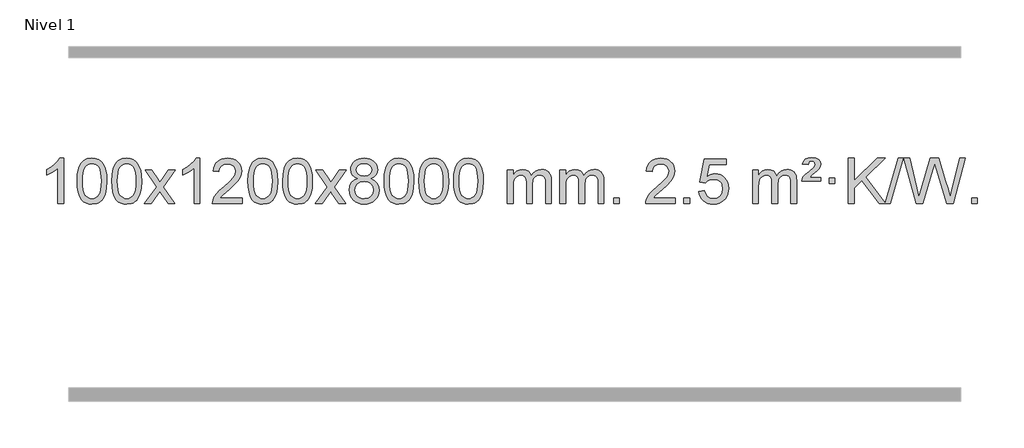
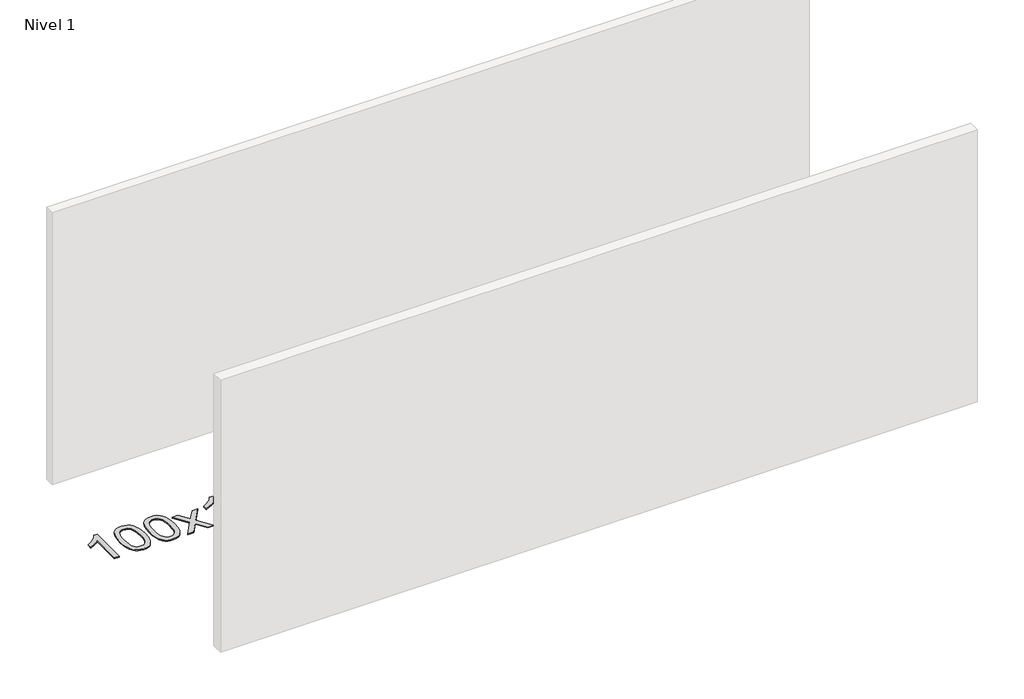
# One storey, part 6 of 7: 1 proxy.
"""IFC4 building model written with IfcOpenShell, lengths in millimetres."""

from ifc_helpers import new_model, si_unit, origin, origin_with_axes, place, context, project, spatial, polyline, outline, extrude, element, save

model = new_model("IFC4")

# Units and contexts
model_context = context("Model", 3, world=origin())
ifc_project = project(units=[si_unit("LENGTHUNIT", "METRE", prefix="MILLI")], contexts=[model_context])

# Site, building, storey
site = spatial("IfcSite", under=ifc_project)
building = spatial("IfcBuilding", under=site)
storey = spatial("IfcBuildingStorey", under=building, Name="Nivel 1", Elevation=0.0)

# Proxy
placement = place(None, origin())
element("IfcBuildingElementProxy", 1, Name="Texto de modelo 1", ObjectType="Texto de modelo 1", at=placement, inside=storey, context=model_context, shape_type="SweptSolid", body=[
    extrude(outline(polyline([(-275.4615788, -391.579453), (-325.6897338, -391.579453), (-325.6897338, -78.4382987), (-346.6590076, -95.3976587), (-373.2691385, -112.3324932), (-426.146044, -137.6918254), (-426.146044, -90.2105225), (-386.6968314, -68.7507395), (-352.520594, -43.219729), (-325.5793692, -16.0700378), (-307.8351943, 10.2457876), (-275.4615788, 10.2457876), (-275.4615788, -391.579453)])), origin_with_axes(), (0.0, 0.0, 1.0), 10.0),
    extrude(outline(polyline([(-156.1697105, -193.9041943), (-152.4786278, -129.5861588), (-141.4053797, -78.2911459), (-123.0603309, -39.2343407), (-111.2022679, -24.0009605), (-97.5538459, -11.6309284), (-82.0690796, -2.0598651), (-64.7019837, 4.7766086), (-24.3208034, 10.2457876), (6.6303351, 7.008426), (34.3441121, -2.7036586), (57.5206778, -18.5103217), (74.8601825, -40.0314184), (87.9567815, -67.0830078), (98.4046302, -99.4811488), (105.2472353, -140.6226186), (107.5281037, -193.9041943), (103.8738092, -257.8543477), (92.9109257, -309.0267333), (74.6762415, -348.1203266), (62.8457697, -363.3996922), (49.2065447, -375.8341036), (33.7033843, -385.4695462), (16.2811061, -392.3520052), (-24.3208034, -397.8579724), (-51.9855294, -395.4667394), (-76.5109958, -388.2930405), (-97.8972024, -376.3368757), (-116.1441494, -359.5982449), (-133.6553324, -329.3399508), (-146.1633202, -291.6381776), (-153.6681129, -246.4929255), (-156.1697105, -193.9041943)]), holes=[polyline([(-105.9415554, -193.8060924), (-104.4700274, -237.4706195), (-100.0554435, -272.8148822), (-92.6978036, -299.8388804), (-82.3971077, -318.5426142), (-69.9381708, -331.2682656), (-56.1058078, -340.3580165), (-40.9000186, -345.8118671), (-24.3208034, -347.6298173), (-7.7415881, -345.8057357), (7.464201, -340.3334911), (21.296564, -331.2130833), (33.7555009, -318.4445124), (44.0561968, -299.7101217), (51.4138367, -272.6922549), (55.8284206, -237.3909118), (57.2999486, -193.8060924), (55.8774716, -151.2973278), (51.6100404, -116.5753989), (44.4976552, -89.6403055), (34.5403158, -70.4920476), (22.2898454, -57.1440625), (8.2980668, -47.6097875), (-7.4350198, -41.8892225), (-24.9094146, -39.9823675), (-41.4027907, -41.6623619), (-56.3510624, -46.7023452), (-69.7542298, -55.1023175), (-81.6122928, -66.8622786), (-92.2563452, -87.708925), (-99.8592397, -115.8151094), (-104.4209765, -151.1808319), (-105.9415554, -193.8060924)])]), origin_with_axes(), (0.0, 0.0, 1.0), 10.0),
    extrude(outline(polyline([(151.4777394, -193.9041943), (155.1688221, -129.5861588), (166.2420701, -78.2911459), (184.5871189, -39.2343407), (196.4451819, -24.0009605), (210.0936039, -11.6309284), (225.5783702, -2.0598651), (242.9454661, 4.7766086), (283.3266464, 10.2457876), (314.277785, 7.008426), (341.9915619, -2.7036586), (365.1681276, -18.5103217), (382.5076323, -40.0314184), (395.6042314, -67.0830078), (406.05208, -99.4811488), (412.8946851, -140.6226186), (415.1755535, -193.9041943), (411.521259, -257.8543477), (400.5583756, -309.0267333), (382.3236913, -348.1203266), (370.4932195, -363.3996922), (356.8539945, -375.8341036), (341.3508341, -385.4695462), (323.928556, -392.3520052), (283.3266464, -397.8579724), (255.6619204, -395.4667394), (231.1364541, -388.2930405), (209.7502474, -376.3368757), (191.5033004, -359.5982449), (173.9921175, -329.3399508), (161.4841296, -291.6381776), (153.9793369, -246.4929255), (151.4777394, -193.9041943)]), holes=[polyline([(201.7058944, -193.8060924), (203.1774224, -237.4706195), (207.5920064, -272.8148822), (214.9496463, -299.8388804), (225.2503421, -318.5426142), (237.709279, -331.2682656), (251.5416421, -340.3580165), (266.7474312, -345.8118671), (283.3266464, -347.6298173), (299.9058617, -345.8057357), (315.1116508, -340.3334911), (328.9440138, -331.2130833), (341.4029507, -318.4445124), (351.7036466, -299.7101217), (359.0612865, -272.6922549), (363.4758705, -237.3909118), (364.9473984, -193.8060924), (363.5249214, -151.2973278), (359.2574902, -116.5753989), (352.145105, -89.6403055), (342.1877657, -70.4920476), (329.9372952, -57.1440625), (315.9455167, -47.6097875), (300.21243, -41.8892225), (282.7380352, -39.9823675), (266.2446591, -41.6623619), (251.2963874, -46.7023452), (237.89322, -55.1023175), (226.0351571, -66.8622786), (215.3911047, -87.708925), (207.7882101, -115.8151094), (203.2264734, -151.1808319), (201.7058944, -193.8060924)])]), origin_with_axes(), (0.0, 0.0, 1.0), 10.0),
    extrude(outline(polyline([(440.2896311, -391.579453), (547.6130718, -243.2494325), (446.5681504, -96.4890419), (506.9988995, -96.4890419), (555.7555266, -167.122385), (578.5151594, -200.4770192), (598.2336343, -173.2047007), (653.7592901, -96.4890419), (714.1900392, -96.4890419), (608.0438209, -243.2494325), (710.2659646, -391.579453), (649.8352155, -391.579453), (588.3253459, -302.4048574), (577.0436314, -286.1199477), (500.7203801, -391.579453), (440.2896311, -391.579453)])), origin_with_axes(), (0.0, 0.0, 1.0), 10.0),
    extrude(outline(polyline([(930.014143, -391.579453), (879.785988, -391.579453), (879.785988, -78.4382987), (858.8167142, -95.3976587), (832.2065832, -112.3324932), (779.3296778, -137.6918254), (779.3296778, -90.2105225), (818.7788904, -68.7507395), (852.9551278, -43.219729), (879.8963526, -16.0700378), (897.6405275, 10.2457876), (930.014143, 10.2457876), (930.014143, -391.579453)])), origin_with_axes(), (0.0, 0.0, 1.0), 10.0),
    extrude(outline(polyline([(1306.7253061, -341.3512979), (1306.7253061, -391.579453), (1043.0274919, -391.579453), (1044.1311379, -373.8965918), (1048.4230945, -356.9494945), (1060.808455, -329.8856424), (1078.9327747, -303.6311307), (1105.1504982, -276.1503456), (1141.8160704, -245.4076736), (1196.017351, -197.2641831), (1228.5381194, -161.7267824), (1244.7985036, -132.884834), (1250.2186316, -104.8277005), (1245.1050719, -79.6768347), (1229.7643927, -58.7688747), (1206.1831568, -44.6789943), (1176.347927, -39.9823675), (1145.0166437, -44.5686297), (1120.6751184, -58.3274163), (1104.9665572, -80.1796068), (1099.5341664, -109.0460807), (1049.3060113, -102.7675613), (1053.6255591, -76.838012), (1061.4829054, -54.1826125), (1072.8780502, -34.8013627), (1087.8109935, -18.6942627), (1105.9383788, -6.0329907), (1126.9168496, 3.010775), (1150.7464058, 8.4370345), (1177.4270475, 10.2457876), (1204.3468125, 8.2346994), (1228.3051275, 2.2014346), (1249.3019923, -7.8540066), (1267.3374071, -21.9316242), (1281.8227607, -38.9890861), (1292.1694418, -57.9840598), (1298.3774505, -78.9165453), (1300.4467867, -101.7865427), (1298.2149693, -125.8092369), (1291.519517, -149.4149983), (1279.6369285, -173.4254299), (1261.8437027, -198.6621347), (1233.4800009, -228.7916701), (1189.8859844, -267.4805933), (1132.1039857, -315.795762), (1109.4424548, -341.3512979), (1306.7253061, -341.3512979)])), origin_with_axes(), (0.0, 0.0, 1.0), 10.0),
    extrude(outline(polyline([(1356.9534612, -193.9041943), (1360.6445439, -129.5861588), (1371.7177919, -78.2911459), (1390.0628407, -39.2343407), (1401.9209037, -24.0009605), (1415.5693257, -11.6309284), (1431.054092, -2.0598651), (1448.4211879, 4.7766086), (1488.8023682, 10.2457876), (1519.7535068, 7.008426), (1547.4672837, -2.7036586), (1570.6438494, -18.5103217), (1587.9833541, -40.0314184), (1601.0799532, -67.0830078), (1611.5278018, -99.4811488), (1618.3704069, -140.6226186), (1620.6512753, -193.9041943), (1616.9969808, -257.8543477), (1606.0340974, -309.0267333), (1587.7994131, -348.1203266), (1575.9689413, -363.3996922), (1562.3297163, -375.8341036), (1546.8265559, -385.4695462), (1529.4042778, -392.3520052), (1488.8023682, -397.8579724), (1461.1376422, -395.4667394), (1436.6121759, -388.2930405), (1415.2259692, -376.3368757), (1396.9790222, -359.5982449), (1379.4678393, -329.3399508), (1366.9598514, -291.6381776), (1359.4550587, -246.4929255), (1356.9534612, -193.9041943)]), holes=[polyline([(1407.1816162, -193.8060924), (1408.6531442, -237.4706195), (1413.0677282, -272.8148822), (1420.4253681, -299.8388804), (1430.7260639, -318.5426142), (1443.1850008, -331.2682656), (1457.0173639, -340.3580165), (1472.223153, -345.8118671), (1488.8023682, -347.6298173), (1505.3815835, -345.8057357), (1520.5873726, -340.3334911), (1534.4197356, -331.2130833), (1546.8786725, -318.4445124), (1557.1793684, -299.7101217), (1564.5370083, -272.6922549), (1568.9515923, -237.3909118), (1570.4231202, -193.8060924), (1569.0006432, -151.2973278), (1564.733212, -116.5753989), (1557.6208268, -89.6403055), (1547.6634875, -70.4920476), (1535.413017, -57.1440625), (1521.4212385, -47.6097875), (1505.6881518, -41.8892225), (1488.213757, -39.9823675), (1471.7203809, -41.6623619), (1456.7721092, -46.7023452), (1443.3689418, -55.1023175), (1431.5108789, -66.8622786), (1420.8668265, -87.708925), (1413.2639319, -115.8151094), (1408.7021952, -151.1808319), (1407.1816162, -193.8060924)])]), origin_with_axes(), (0.0, 0.0, 1.0), 10.0),
    extrude(outline(polyline([(1664.600911, -193.9041943), (1668.2919937, -129.5861588), (1679.3652417, -78.2911459), (1697.7102906, -39.2343407), (1709.5683535, -24.0009605), (1723.2167756, -11.6309284), (1738.7015419, -2.0598651), (1756.0686377, 4.7766086), (1796.4498181, 10.2457876), (1827.4009566, 7.008426), (1855.1147336, -2.7036586), (1878.2912993, -18.5103217), (1895.630804, -40.0314184), (1908.727403, -67.0830078), (1919.1752517, -99.4811488), (1926.0178568, -140.6226186), (1928.2987251, -193.9041943), (1924.6444307, -257.8543477), (1913.6815472, -309.0267333), (1895.446863, -348.1203266), (1883.6163911, -363.3996922), (1869.9771662, -375.8341036), (1854.4740058, -385.4695462), (1837.0517276, -392.3520052), (1796.4498181, -397.8579724), (1768.785092, -395.4667394), (1744.2596257, -388.2930405), (1722.873419, -376.3368757), (1704.6264721, -359.5982449), (1687.1152891, -329.3399508), (1674.6073013, -291.6381776), (1667.1025086, -246.4929255), (1664.600911, -193.9041943)]), holes=[polyline([(1714.8290661, -193.8060924), (1716.3005941, -237.4706195), (1720.715178, -272.8148822), (1728.0728179, -299.8388804), (1738.3735138, -318.5426142), (1750.8324507, -331.2682656), (1764.6648137, -340.3580165), (1779.8706028, -345.8118671), (1796.4498181, -347.6298173), (1813.0290333, -345.8057357), (1828.2348225, -340.3334911), (1842.0671855, -331.2130833), (1854.5261224, -318.4445124), (1864.8268182, -299.7101217), (1872.1844581, -272.6922549), (1876.5990421, -237.3909118), (1878.0705701, -193.8060924), (1876.648093, -151.2973278), (1872.3806619, -116.5753989), (1865.2682766, -89.6403055), (1855.3109373, -70.4920476), (1843.0604669, -57.1440625), (1829.0686883, -47.6097875), (1813.3356016, -41.8892225), (1795.8612069, -39.9823675), (1779.3678308, -41.6623619), (1764.419559, -46.7023452), (1751.0163917, -55.1023175), (1739.1583287, -66.8622786), (1728.5142763, -87.708925), (1720.9113817, -115.8151094), (1716.349645, -151.1808319), (1714.8290661, -193.8060924)])]), origin_with_axes(), (0.0, 0.0, 1.0), 10.0),
    extrude(outline(polyline([(1953.4128027, -391.579453), (2060.7362434, -243.2494325), (1959.6913221, -96.4890419), (2020.1220711, -96.4890419), (2068.8786982, -167.122385), (2091.638331, -200.4770192), (2111.3568059, -173.2047007), (2166.8824617, -96.4890419), (2227.3132108, -96.4890419), (2121.1669925, -243.2494325), (2223.3891362, -391.579453), (2162.9583871, -391.579453), (2101.4485175, -302.4048574), (2090.166803, -286.1199477), (2013.8435518, -391.579453), (1953.4128027, -391.579453)])), origin_with_axes(), (0.0, 0.0, 1.0), 10.0),
    extrude(outline(polyline([(2327.9657247, -170.2616447), (2301.0735509, -157.0178929), (2282.2012045, -139.0652515), (2271.05438, -116.7716026), (2267.3387719, -90.5048281), (2269.3621229, -70.0199324), (2275.4321758, -51.2395565), (2285.5489307, -34.1637006), (2299.7123875, -18.7923645), (2317.2419645, -6.088173), (2337.4570802, 2.9862496), (2360.3577344, 8.4309031), (2385.9439271, 10.2457876), (2411.6527472, 8.3879835), (2434.7250797, 2.8145713), (2455.1609245, -6.4744491), (2472.9602817, -19.4790776), (2487.3812559, -35.1508506), (2497.6819518, -52.4413044), (2503.8623693, -71.3504389), (2505.9225085, -91.8782543), (2502.2559513, -117.2989001), (2491.2562796, -139.2124043), (2472.8008662, -157.0546811), (2446.7670837, -170.2616447), (2477.681434, -186.1909351), (2500.1835494, -209.6495436), (2513.9055478, -239.5092989), (2518.4795473, -274.6420295), (2516.2109416, -299.6947933), (2509.4051247, -322.6628926), (2498.0620965, -343.5463272), (2482.1818571, -362.3450971), (2462.5982722, -377.88198), (2440.1452078, -388.9797536), (2414.8226638, -395.6384177), (2386.6306402, -397.8579724), (2358.4386166, -395.6292206), (2333.1160726, -388.9429654), (2310.6630082, -377.7992066), (2291.0794233, -362.1979443), (2275.1991839, -343.26735), (2263.8561557, -322.135595), (2257.0503388, -298.8026795), (2254.7817331, -273.2686033), (2259.5396736, -236.7747094), (2273.813495, -206.7555386), (2296.8674334, -184.2411605), (2327.9657247, -170.2616447)]), holes=[polyline([(2317.566927, -91.9763561), (2322.0182991, -113.902123), (2335.3724155, -131.413306), (2357.2368688, -142.8912243), (2387.2192514, -146.717197), (2416.5026582, -142.9157497), (2438.0360177, -131.5114079), (2451.2797695, -114.5888361), (2455.6943534, -94.232699), (2451.1326167, -73.1040098), (2437.4474065, -55.629615), (2415.6197414, -43.8941794), (2386.6306402, -39.9823675), (2357.457598, -43.8083402), (2335.6667211, -55.2862585), (2322.0918755, -72.1107284), (2317.566927, -91.9763561)]), polyline([(2305.0098882, -271.5027698), (2307.1068156, -290.7184726), (2313.3975977, -309.3210389), (2325.010406, -325.5446349), (2343.073412, -337.623427), (2364.7048733, -345.1282197), (2387.0230477, -347.6298173), (2421.2115477, -342.3691048), (2435.1052244, -335.7932141), (2446.8651855, -326.5869672), (2462.9048405, -302.6869002), (2468.2513922, -273.0723996), (2462.7331623, -242.9551269), (2446.1784725, -218.5277625), (2434.0996803, -209.0854579), (2419.9362235, -202.3409547), (2385.3553159, -196.9453521), (2351.6450625, -202.2673783), (2337.9077356, -208.919911), (2326.2489421, -218.2334569), (2310.3196517, -242.1948375), (2305.0098882, -271.5027698)])]), origin_with_axes(), (0.0, 0.0, 1.0), 10.0),
    extrude(outline(polyline([(2562.429183, -193.9041943), (2566.1202656, -129.5861588), (2577.1935137, -78.2911459), (2595.5385625, -39.2343407), (2607.3966255, -24.0009605), (2621.0450475, -11.6309284), (2636.5298138, -2.0598651), (2653.8969097, 4.7766086), (2694.27809, 10.2457876), (2725.2292286, 7.008426), (2752.9430055, -2.7036586), (2776.1195712, -18.5103217), (2793.4590759, -40.0314184), (2806.555675, -67.0830078), (2817.0035236, -99.4811488), (2823.8461287, -140.6226186), (2826.1269971, -193.9041943), (2822.4727026, -257.8543477), (2811.5098192, -309.0267333), (2793.2751349, -348.1203266), (2781.4446631, -363.3996922), (2767.8054381, -375.8341036), (2752.3022777, -385.4695462), (2734.8799996, -392.3520052), (2694.27809, -397.8579724), (2666.613364, -395.4667394), (2642.0878976, -388.2930405), (2620.701691, -376.3368757), (2602.454744, -359.5982449), (2584.9435611, -329.3399508), (2572.4355732, -291.6381776), (2564.9307805, -246.4929255), (2562.429183, -193.9041943)]), holes=[polyline([(2612.657338, -193.8060924), (2614.128866, -237.4706195), (2618.54345, -272.8148822), (2625.9010899, -299.8388804), (2636.2017857, -318.5426142), (2648.6607226, -331.2682656), (2662.4930856, -340.3580165), (2677.6988748, -345.8118671), (2694.27809, -347.6298173), (2710.8573053, -345.8057357), (2726.0630944, -340.3334911), (2739.8954574, -331.2130833), (2752.3543943, -318.4445124), (2762.6550902, -299.7101217), (2770.0127301, -272.6922549), (2774.427314, -237.3909118), (2775.898842, -193.8060924), (2774.476365, -151.2973278), (2770.2089338, -116.5753989), (2763.0965486, -89.6403055), (2753.1392093, -70.4920476), (2740.8887388, -57.1440625), (2726.8969603, -47.6097875), (2711.1638736, -41.8892225), (2693.6894788, -39.9823675), (2677.1961027, -41.6623619), (2662.247831, -46.7023452), (2648.8446636, -55.1023175), (2636.9866007, -66.8622786), (2626.3425483, -87.708925), (2618.7396537, -115.8151094), (2614.1779169, -151.1808319), (2612.657338, -193.8060924)])]), origin_with_axes(), (0.0, 0.0, 1.0), 10.0),
    extrude(outline(polyline([(2870.0766328, -193.9041943), (2873.7677155, -129.5861588), (2884.8409635, -78.2911459), (2903.1860124, -39.2343407), (2915.0440753, -24.0009605), (2928.6924974, -11.6309284), (2944.1772637, -2.0598651), (2961.5443595, 4.7766086), (3001.9255399, 10.2457876), (3032.8766784, 7.008426), (3060.5904554, -2.7036586), (3083.7670211, -18.5103217), (3101.1065258, -40.0314184), (3114.2031248, -67.0830078), (3124.6509735, -99.4811488), (3131.4935786, -140.6226186), (3133.7744469, -193.9041943), (3130.1201525, -257.8543477), (3119.157269, -309.0267333), (3100.9225848, -348.1203266), (3089.0921129, -363.3996922), (3075.452888, -375.8341036), (3059.9497276, -385.4695462), (3042.5274494, -392.3520052), (3001.9255399, -397.8579724), (2974.2608138, -395.4667394), (2949.7353475, -388.2930405), (2928.3491408, -376.3368757), (2910.1021939, -359.5982449), (2892.5910109, -329.3399508), (2880.0830231, -291.6381776), (2872.5782304, -246.4929255), (2870.0766328, -193.9041943)]), holes=[polyline([(2920.3047879, -193.8060924), (2921.7763158, -237.4706195), (2926.1908998, -272.8148822), (2933.5485397, -299.8388804), (2943.8492356, -318.5426142), (2956.3081725, -331.2682656), (2970.1405355, -340.3580165), (2985.3463246, -345.8118671), (3001.9255399, -347.6298173), (3018.5047551, -345.8057357), (3033.7105442, -340.3334911), (3047.5429073, -331.2130833), (3060.0018442, -318.4445124), (3070.30254, -299.7101217), (3077.6601799, -272.6922549), (3082.0747639, -237.3909118), (3083.5462919, -193.8060924), (3082.1238148, -151.2973278), (3077.8563837, -116.5753989), (3070.7439984, -89.6403055), (3060.7866591, -70.4920476), (3048.5361887, -57.1440625), (3034.5444101, -47.6097875), (3018.8113234, -41.8892225), (3001.3369287, -39.9823675), (2984.8435526, -41.6623619), (2969.8952808, -46.7023452), (2956.4921135, -55.1023175), (2944.6340505, -66.8622786), (2933.9899981, -87.708925), (2926.3871035, -115.8151094), (2921.8253668, -151.1808319), (2920.3047879, -193.8060924)])]), origin_with_axes(), (0.0, 0.0, 1.0), 10.0),
    extrude(outline(polyline([(3177.7240826, -193.9041943), (3181.4151653, -129.5861588), (3192.4884134, -78.2911459), (3210.8334622, -39.2343407), (3222.6915252, -24.0009605), (3236.3399472, -11.6309284), (3251.8247135, -2.0598651), (3269.1918094, 4.7766086), (3309.5729897, 10.2457876), (3340.5241282, 7.008426), (3368.2379052, -2.7036586), (3391.4144709, -18.5103217), (3408.7539756, -40.0314184), (3421.8505746, -67.0830078), (3432.2984233, -99.4811488), (3439.1410284, -140.6226186), (3441.4218968, -193.9041943), (3437.7676023, -257.8543477), (3426.8047188, -309.0267333), (3408.5700346, -348.1203266), (3396.7395628, -363.3996922), (3383.1003378, -375.8341036), (3367.5971774, -385.4695462), (3350.1748992, -392.3520052), (3309.5729897, -397.8579724), (3281.9082637, -395.4667394), (3257.3827973, -388.2930405), (3235.9965907, -376.3368757), (3217.7496437, -359.5982449), (3200.2384607, -329.3399508), (3187.7304729, -291.6381776), (3180.2256802, -246.4929255), (3177.7240826, -193.9041943)]), holes=[polyline([(3227.9522377, -193.8060924), (3229.4237657, -237.4706195), (3233.8383496, -272.8148822), (3241.1959895, -299.8388804), (3251.4966854, -318.5426142), (3263.9556223, -331.2682656), (3277.7879853, -340.3580165), (3292.9937744, -345.8118671), (3309.5729897, -347.6298173), (3326.1522049, -345.8057357), (3341.3579941, -340.3334911), (3355.1903571, -331.2130833), (3367.649294, -318.4445124), (3377.9499899, -299.7101217), (3385.3076298, -272.6922549), (3389.7222137, -237.3909118), (3391.1937417, -193.8060924), (3389.7712646, -151.2973278), (3385.5038335, -116.5753989), (3378.3914483, -89.6403055), (3368.4341089, -70.4920476), (3356.1836385, -57.1440625), (3342.1918599, -47.6097875), (3326.4587733, -41.8892225), (3308.9843785, -39.9823675), (3292.4910024, -41.6623619), (3277.5427307, -46.7023452), (3264.1395633, -55.1023175), (3252.2815003, -66.8622786), (3241.6374479, -87.708925), (3234.0345534, -115.8151094), (3229.4728166, -151.1808319), (3227.9522377, -193.8060924)])]), origin_with_axes(), (0.0, 0.0, 1.0), 10.0),
    extrude(outline(polyline([(3654.8915558, -391.579453), (3654.8915558, -96.4890419), (3705.1197109, -96.4890419), (3705.1197109, -145.0494653), (3720.2273982, -122.7435537), (3739.6515675, -105.2691589), (3762.7300314, -93.9751816), (3788.8006021, -90.2105225), (3816.7351082, -94.048758), (3839.126859, -105.5634645), (3855.8532271, -123.9943524), (3866.7915851, -148.5811324), (3885.0998457, -123.0439906), (3905.9832803, -104.803175), (3929.4418888, -93.8586857), (3955.4756714, -90.2105225), (3975.5834881, -91.7280358), (3993.2326268, -96.2805755), (4008.4230875, -103.8681416), (4021.1548702, -114.4907342), (4031.2195085, -128.2709806), (4038.4085358, -145.3315082), (4042.7219522, -165.6723168), (4044.1597577, -189.2934066), (4044.1597577, -391.579453), (3993.9316026, -391.579453), (3993.9316026, -210.875817), (3992.7666429, -185.8230531), (3989.271764, -168.9372695), (3982.7234645, -157.3735121), (3972.3982431, -148.2868268), (3959.1177031, -142.4007149), (3943.7034475, -140.4386776), (3916.4924426, -145.4663982), (3894.3091583, -160.54956), (3885.7037853, -172.1194488), (3879.5570903, -186.7182326), (3874.6397343, -225.0024856), (3874.6397343, -391.579453), (3824.4115792, -391.579453), (3824.4115792, -205.2840106), (3821.5053115, -176.8835206), (3812.7865082, -156.6254854), (3797.445829, -144.4853796), (3774.6739335, -140.4386776), (3755.3233405, -143.1364789), (3737.4933265, -151.2298828), (3722.7780467, -164.5226856), (3712.7716564, -182.8186835), (3707.0326973, -208.2025411), (3705.1197109, -242.7589232), (3705.1197109, -391.579453), (3654.8915558, -391.579453)])), origin_with_axes(), (0.0, 0.0, 1.0), 10.0),
    extrude(outline(polyline([(4119.5019903, -391.579453), (4119.5019903, -96.4890419), (4169.7301454, -96.4890419), (4169.7301454, -145.0494653), (4184.8378326, -122.7435537), (4204.262002, -105.2691589), (4227.3404658, -93.9751816), (4253.4110365, -90.2105225), (4281.3455427, -94.048758), (4303.7372935, -105.5634645), (4320.4636615, -123.9943524), (4331.4020195, -148.5811324), (4349.7102801, -123.0439906), (4370.5937147, -104.803175), (4394.0523233, -93.8586857), (4420.0861058, -90.2105225), (4440.1939225, -91.7280358), (4457.8430612, -96.2805755), (4473.033522, -103.8681416), (4485.7653047, -114.4907342), (4495.8299429, -128.2709806), (4503.0189703, -145.3315082), (4507.3323866, -165.6723168), (4508.7701921, -189.2934066), (4508.7701921, -391.579453), (4458.542037, -391.579453), (4458.542037, -210.875817), (4457.3770774, -185.8230531), (4453.8821984, -168.9372695), (4447.3338989, -157.3735121), (4437.0086776, -148.2868268), (4423.7281376, -142.4007149), (4408.313882, -140.4386776), (4381.1028771, -145.4663982), (4358.9195927, -160.54956), (4350.3142197, -172.1194488), (4344.1675247, -186.7182326), (4339.2501687, -225.0024856), (4339.2501687, -391.579453), (4289.0220137, -391.579453), (4289.0220137, -205.2840106), (4286.1157459, -176.8835206), (4277.3969426, -156.6254854), (4262.0562634, -144.4853796), (4239.2843679, -140.4386776), (4219.933775, -143.1364789), (4202.1037609, -151.2298828), (4187.3884811, -164.5226856), (4177.3820909, -182.8186835), (4171.6431317, -208.2025411), (4169.7301454, -242.7589232), (4169.7301454, -391.579453), (4119.5019903, -391.579453)])), origin_with_axes(), (0.0, 0.0, 1.0), 10.0),
    extrude(outline(polyline([(4596.6694635, -391.579453), (4596.6694635, -341.3512979), (4646.8976186, -341.3512979), (4646.8976186, -391.579453), (4596.6694635, -391.579453)])), origin_with_axes(), (0.0, 0.0, 1.0), 10.0),
    extrude(outline(polyline([(5142.9006499, -341.3512979), (5142.9006499, -391.579453), (4879.2028358, -391.579453), (4880.3064818, -373.8965918), (4884.5984384, -356.9494945), (4896.9837989, -329.8856424), (4915.1081185, -303.6311307), (4941.325842, -276.1503456), (4977.9914142, -245.4076736), (5032.1926948, -197.2641831), (5064.7134632, -161.7267824), (5080.9738474, -132.884834), (5086.3939755, -104.8277005), (5081.2804157, -79.6768347), (5065.9397365, -58.7688747), (5042.3585006, -44.6789943), (5012.5232708, -39.9823675), (4981.1919876, -44.5686297), (4956.8504622, -58.3274163), (4941.141901, -80.1796068), (4935.7095102, -109.0460807), (4885.4813552, -102.7675613), (4889.8009029, -76.838012), (4897.6582492, -54.1826125), (4909.053394, -34.8013627), (4923.9863373, -18.6942627), (4942.1137226, -6.0329907), (4963.0921934, 3.010775), (4986.9217497, 8.4370345), (5013.6023914, 10.2457876), (5040.5221564, 8.2346994), (5064.4804713, 2.2014346), (5085.4773362, -7.8540066), (5103.512751, -21.9316242), (5117.9981045, -38.9890861), (5128.3447857, -57.9840598), (5134.5527943, -78.9165453), (5136.6221305, -101.7865427), (5134.3903131, -125.8092369), (5127.6948608, -149.4149983), (5115.8122724, -173.4254299), (5098.0190465, -198.6621347), (5069.6553447, -228.7916701), (5026.0613283, -267.4805933), (4968.2793296, -315.795762), (4945.6177986, -341.3512979), (5142.9006499, -341.3512979)])), origin_with_axes(), (0.0, 0.0, 1.0), 10.0),
    extrude(outline(polyline([(5218.2428825, -391.579453), (5218.2428825, -341.3512979), (5268.4710376, -341.3512979), (5268.4710376, -391.579453), (5218.2428825, -391.579453)])), origin_with_axes(), (0.0, 0.0, 1.0), 10.0),
    extrude(outline(polyline([(5350.0917896, -284.8446235), (5400.3199447, -278.5661041), (5409.54152, -308.7201649), (5425.630226, -330.3148381), (5448.5124861, -343.3010725), (5478.1147239, -347.6298173), (5497.2445877, -346.1245668), (5514.1181085, -341.6088153), (5528.7352865, -334.0825628), (5541.0961215, -323.5458094), (5550.9247021, -310.519721), (5557.9451169, -295.5254641), (5563.5614487, -259.6324441), (5558.3007361, -225.8363514), (5551.7248455, -211.9181493), (5542.5185986, -199.9865099), (5530.6513385, -190.4154467), (5516.0924086, -183.5789729), (5478.8995389, -178.1097939), (5454.533488, -180.2925604), (5434.8027504, -186.8408599), (5419.0451382, -196.8717757), (5406.5984641, -209.5023908), (5356.370309, -203.2238715), (5400.3199447, 3.9672682), (5594.9540456, 3.9672682), (5594.9540456, -46.2608869), (5440.934117, -46.2608869), (5419.4498084, -156.919791), (5437.1755892, -144.2155994), (5455.3305657, -135.1411769), (5473.9147378, -129.6965234), (5492.9281056, -127.8816388), (5517.3891926, -130.1318504), (5539.8575855, -136.882485), (5560.3332842, -148.1335427), (5578.8162887, -163.8850234), (5594.1171141, -183.1743027), (5605.046275, -205.038756), (5611.6037716, -229.4783832), (5613.7896038, -256.4931844), (5611.8214351, -282.5147042), (5605.9169291, -306.7213394), (5596.0760857, -329.1130902), (5582.298905, -349.6899565), (5561.4277331, -370.7634634), (5537.073945, -385.8159684), (5509.2375407, -394.8474714), (5477.9185202, -397.8579724), (5451.998168, -395.9235262), (5428.5855447, -390.1201877), (5407.6806503, -380.447957), (5389.2834848, -366.9068338), (5373.9765281, -350.1712688), (5362.3422601, -330.915712), (5354.3806805, -309.1401636), (5350.0917896, -284.8446235)])), origin_with_axes(), (0.0, 0.0, 1.0), 10.0),
    extrude(outline(polyline([(5827.2592628, -391.579453), (5827.2592628, -96.4890419), (5877.4874179, -96.4890419), (5877.4874179, -145.0494653), (5892.5951052, -122.7435537), (5912.0192745, -105.2691589), (5935.0977383, -93.9751816), (5961.1683091, -90.2105225), (5989.1028152, -94.048758), (6011.494566, -105.5634645), (6028.2209341, -123.9943524), (6039.159292, -148.5811324), (6057.4675527, -123.0439906), (6078.3509873, -104.803175), (6101.8095958, -93.8586857), (6127.8433783, -90.2105225), (6147.9511951, -91.7280358), (6165.6003338, -96.2805755), (6180.7907945, -103.8681416), (6193.5225772, -114.4907342), (6203.5872155, -128.2709806), (6210.7762428, -145.3315082), (6215.0896592, -165.6723168), (6216.5274647, -189.2934066), (6216.5274647, -391.579453), (6166.2993096, -391.579453), (6166.2993096, -210.875817), (6165.1343499, -185.8230531), (6161.639471, -168.9372695), (6155.0911715, -157.3735121), (6144.7659501, -148.2868268), (6131.4854101, -142.4007149), (6116.0711545, -140.4386776), (6088.8601496, -145.4663982), (6066.6768653, -160.54956), (6058.0714923, -172.1194488), (6051.9247973, -186.7182326), (6047.0074413, -225.0024856), (6047.0074413, -391.579453), (5996.7792862, -391.579453), (5996.7792862, -205.2840106), (5993.8730184, -176.8835206), (5985.1542152, -156.6254854), (5969.813536, -144.4853796), (5947.0416405, -140.4386776), (5927.6910475, -143.1364789), (5909.8610335, -151.2298828), (5895.1457537, -164.5226856), (5885.1393634, -182.8186835), (5879.4004043, -208.2025411), (5877.4874179, -242.7589232), (5877.4874179, -391.579453), (5827.2592628, -391.579453)])), origin_with_axes(), (0.0, 0.0, 1.0), 10.0),
    extrude(outline(polyline([(6260.4771003, -190.6668327), (6264.3030731, -174.8479069), (6272.6417317, -158.9799302), (6294.1505656, -133.8413272), (6326.1072483, -106.1030247), (6370.2530877, -68.726214), (6377.3899984, -57.1992448), (6379.7689686, -45.3779701), (6377.8805077, -33.2869152), (6372.215125, -23.5012541), (6362.8463969, -17.026531), (6349.8478997, -14.8682899), (6337.4134883, -16.4869707), (6328.5597949, -21.343013), (6322.1341227, -30.8098431), (6316.9837748, -46.2608869), (6266.7556197, -39.9823675), (6277.5958759, -14.7701881), (6294.224142, 2.7900458), (6317.9893189, 13.0907417), (6350.2403072, 16.524307), (6386.0229626, 12.3917659), (6410.7691581, -0.0058573), (6425.1901323, -18.3386434), (6429.9971237, -40.2766731), (6425.9013708, -63.1834586), (6413.6141122, -84.8149199), (6393.0862969, -104.6314968), (6356.6169284, -132.6886303), (6331.0123416, -159.2742358), (6429.9971237, -159.2742358), (6429.9971237, -190.6668327), (6260.4771003, -190.6668327)])), origin_with_axes(), (0.0, 0.0, 1.0), 10.0),
    extrude(outline(polyline([(6505.3393563, -215.7809102), (6505.3393563, -165.5527552), (6555.5675114, -165.5527552), (6555.5675114, -215.7809102), (6505.3393563, -215.7809102)])), origin_with_axes(), (0.0, 0.0, 1.0), 10.0),
    extrude(outline(polyline([(6946.2091394, -391.579453), (6792.7778219, -188.9009991), (6725.0875348, -253.4520265), (6725.0875348, -391.579453), (6674.8593797, -391.579453), (6674.8593797, 10.2457876), (6725.0875348, 10.2457876), (6725.0875348, -186.4484525), (6931.1014521, 10.2457876), (7001.3423877, 10.2457876), (6828.388799, -154.9577537), (7003.0424089, -385.5349332), (7114.3557366, 10.2457876), (7159.6787984, 10.2457876), (7046.6654495, -391.579453), (7007.6209071, -391.579453), (7001.3423877, -391.579453), (6946.2091394, -391.579453)])), origin_with_axes(), (0.0, 0.0, 1.0), 10.0),
    extrude(outline(polyline([(7274.1636753, -391.579453), (7164.5838917, 10.2457876), (7216.3816766, 10.2457876), (7279.9516854, -253.844434), (7299.5720585, -335.3670841), (7320.5658576, -263.2622131), (7400.2245723, 10.2457876), (7474.8800919, 10.2457876), (7532.7601925, -188.0180823), (7557.5554389, -261.5944814), (7575.8269114, -335.3670841), (7594.8586732, -256.1988788), (7659.0172932, 10.2457876), (7710.8150781, 10.2457876), (7601.1371926, -391.579453), (7547.4754723, -391.579453), (7451.1394405, -81.5775584), (7437.6994849, -38.3146358), (7422.5917976, -90.4067263), (7334.7906281, -391.579453), (7274.1636753, -391.579453)])), origin_with_axes(), (0.0, 0.0, 1.0), 10.0),
    extrude(outline(polyline([(7767.3217526, -391.579453), (7767.3217526, -341.3512979), (7817.5499077, -341.3512979), (7817.5499077, -391.579453), (7767.3217526, -391.579453)])), origin_with_axes(), (0.0, 0.0, 1.0), 10.0),
])

save(model, "model.ifc")
